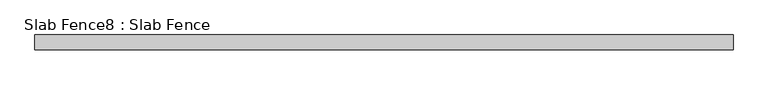
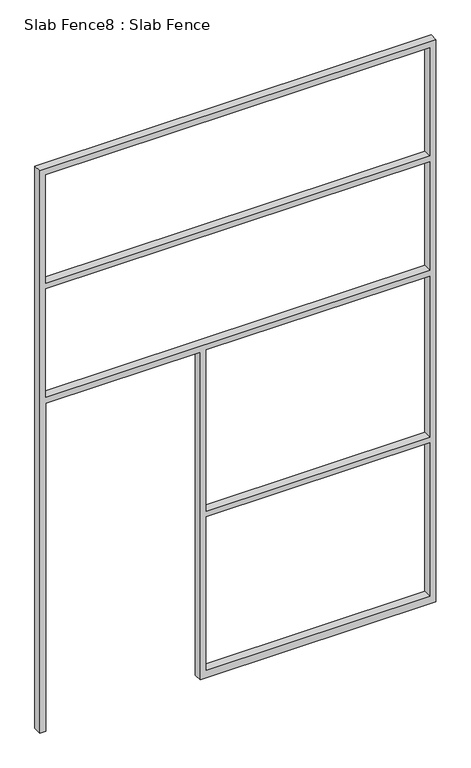
"""IFC4 building model written with IfcOpenShell, lengths in millimetres: proxy geometry, Slab Fence8 : Slab Fence."""

from ifc_helpers import new_model, si_unit, frame, origin, place, context, project, spatial, polyline, outline, extrude, source, transform, mapped, element, save


def slab_fence8_slab_fence_e9f2d569(model_context):
    return source(origin(), model_context, "Body", "SweptSolid", [
        extrude(outline(polyline([(3657.6, -8251.8348205), (0.0, -8251.8348205), (0.0, -8213.7348205), (2133.6, -8213.7348205), (2133.6, -7264.4098205), (0.0, -7264.4098205), (0.0, -7226.3098205), (0.0, -5813.4348205), (3657.6, -5813.4348205), (3657.6, -8251.8348205)]), holes=[polyline([(2876.55, -8213.7348205), (2876.55, -5851.5348205), (2171.7, -5851.5348205), (2171.7, -8213.7348205), (2876.55, -8213.7348205)]), polyline([(3619.5, -5851.5348205), (2914.65, -5851.5348205), (2914.65, -8213.7348205), (3619.5, -8213.7348205), (3619.5, -5851.5348205)]), polyline([(1085.85, -7226.3098205), (2133.6, -7226.3098205), (2133.6, -5851.5348205), (1085.85, -5851.5348205), (1085.85, -7226.3098205)]), polyline([(1047.75, -5851.5348205), (50.8, -5851.5348205), (50.8, -7226.3098205), (1047.75, -7226.3098205), (1047.75, -5851.5348205)])]), frame((0.0, 5176.266085, 0.0), z_axis=(0.0, 1.0, 0.0), x_axis=(0.0, 0.0, 1.0)), (0.0, 0.0, 1.0), 52.001598),
    ])


if __name__ == "__main__":
    model = new_model("IFC4")
    model_context = context("Model", 3, world=origin())
    ifc_project = project(units=[si_unit("LENGTHUNIT", "METRE", prefix="MILLI")], contexts=[model_context])
    site = spatial("IfcSite", under=ifc_project)
    building = spatial("IfcBuilding", under=site)
    placement = place(None, origin())
    slab_fence8_slab_fence_shape = slab_fence8_slab_fence_e9f2d569(model_context)
    element("IfcBuildingElementProxy", 1, Name="Slab Fence8 : Slab Fence", ObjectType="Slab Fence8 : Slab Fence", at=placement, inside=building, context=model_context, shape_type="MappedRepresentation", body=[
        mapped(slab_fence8_slab_fence_shape, transform((0.0, 0.0, 0.0), x_axis=(1.0, 0.0, 0.0), y_axis=(0.0, 1.0, 0.0), z_axis=(0.0, 0.0, 1.0))),
    ])
    save(model, "model.ifc")
